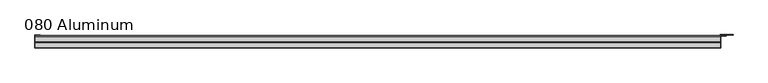
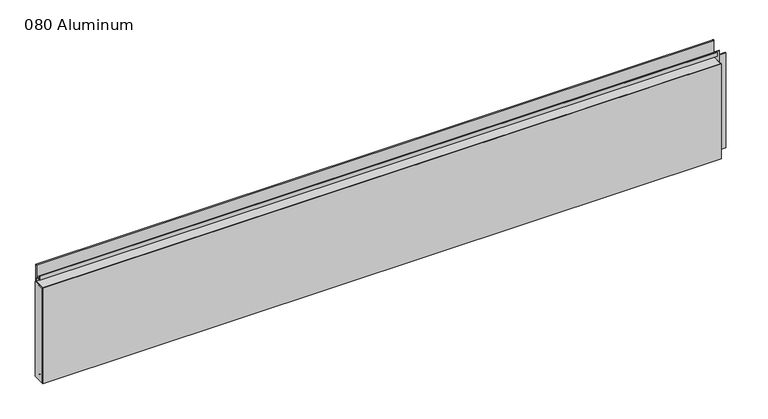
"""IFC4 building model written with IfcOpenShell, lengths in millimetres: plate geometry, 080 Aluminum."""

from ifc_helpers import new_model, si_unit, point, frame, frame_2d, origin, origin_with_axes, place, context, project, spatial, polyline, circle_curve, trimmed, segment, composite_curve, outline, extrude, source, transform, mapped, element, save


def plate_080_aluminum_bb90b0b8(model_context):
    return source(origin(), model_context, "Body", "SweptSolid", [
        extrude(outline(polyline([(-919.48, -2.5660257), (-919.48, -34.7980001), (-920.7499999, -34.7980001), (-920.7499999, -1.2699999), (-906.5894994, -1.2699999), (-906.5894994, -2.5660257), (-919.48, -2.5660257)])), origin_with_axes(), (0.0, 0.0, 1.0), 270.13),
        extrude(outline(composite_curve([segment(polyline([(-16.6765477, 13.1458337), (-16.6765477, 2.786437), (-17.9464915, 2.786437), (-17.9464915, 13.1323356)]), True, "CONTINUOUS"), segment(trimmed(circle_curve(frame_2d((-19.8514743, 13.124237)), 1.905), [point((-17.9464915, 13.1323356))], [point((-21.7564743, 13.124237))], True, "CARTESIAN"), True, "CONTINUOUS"), segment(polyline([(-21.7564743, 13.124237), (-21.7564743, 0.0), (-34.7980002, 0.0), (-34.7980002, 1.2693678), (-23.0264743, 1.2693678), (-23.0264743, 13.124237)]), True, "CONTINUOUS"), segment(trimmed(circle_curve(frame_2d((-19.8514743, 13.124237)), 3.175), [point((-23.0264743, 13.124237))], [point((-16.6765477, 13.1458337))], False, "CARTESIAN"), True, "CONTINUOUS")], self_intersect=False)), frame((-919.48, 0.0, 0.0), z_axis=(1.0, 0.0, 0.0), x_axis=(0.0, 1.0, 0.0)), (0.0, 0.0, 1.0), 1826.26),
        extrude(outline(composite_curve([segment(polyline([(-2.0574743, 318.5932001), (-2.0574743, 270.13), (-34.7980002, 270.13), (-34.7980002, 271.4000001), (-3.3274743, 271.4000001), (-3.3274743, 318.5932001)]), True, "CONTINUOUS"), segment(trimmed(circle_curve(frame_2d((-3.7084742, 318.5932001)), 0.3809999), [point((-3.3274743, 318.5932001))], [point((-4.0894742, 318.5932001))], True, "CARTESIAN"), True, "CONTINUOUS"), segment(polyline([(-4.0894742, 318.5932001), (-4.0894742, 284.1), (-20.4864742, 284.1), (-20.4864742, 295.4538), (-19.2164743, 295.4538), (-19.2164743, 285.37), (-5.3594742, 285.37), (-5.3594742, 318.5932001)]), True, "CONTINUOUS"), segment(trimmed(circle_curve(frame_2d((-3.7084742, 318.5932001)), 1.6509999), [point((-5.3594742, 318.5932001))], [point((-2.0574743, 318.5932001))], False, "CARTESIAN"), True, "CONTINUOUS")], self_intersect=False)), frame((-919.48, 0.0, 0.0), z_axis=(1.0, 0.0, 0.0), x_axis=(0.0, 1.0, 0.0)), (0.0, 0.0, 1.0), 1826.26),
        extrude(outline(polyline([(-920.75, -36.068), (-920.75, -34.7980001), (908.05, -34.7980001), (908.05, -36.068), (-920.75, -36.068)])), origin_with_axes(), (0.0, 0.0, 1.0), 271.4),
        extrude(outline(polyline([(908.05, -1.2699999), (908.05, -34.7980002), (906.7800001, -34.7980002), (906.7800001, 0.0), (940.5620856, 0.0), (940.5620856, -1.2699999), (908.05, -1.2699999)])), origin_with_axes(), (0.0, 0.0, 1.0), 270.13),
        extrude(outline(polyline([(906.78, -3.3274743), (906.78, -2.0574743), (922.5279999, -2.0574743), (922.5279999, -3.3274743), (906.78, -3.3274743)])), origin_with_axes(), (0.0, 0.0, 1.0), 284.1),
    ])


if __name__ == "__main__":
    model = new_model("IFC4")
    model_context = context("Model", 3, world=origin())
    ifc_project = project(units=[si_unit("LENGTHUNIT", "METRE", prefix="MILLI")], contexts=[model_context])
    site = spatial("IfcSite", under=ifc_project)
    building = spatial("IfcBuilding", under=site)
    placement = place(None, origin())
    plate_080_aluminum_shape = plate_080_aluminum_bb90b0b8(model_context)
    element("IfcPlate", 1, ObjectType="080 Aluminum", at=placement, inside=building, context=model_context, shape_type="MappedRepresentation", body=[
        mapped(plate_080_aluminum_shape, transform((0.0, 0.0, 0.0), x_axis=(1.0, 0.0, 0.0), y_axis=(0.0, 1.0, 0.0), z_axis=(0.0, 0.0, 1.0))),
    ])
    save(model, "model.ifc")
